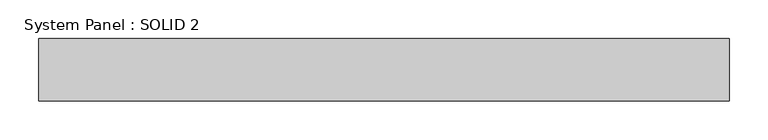
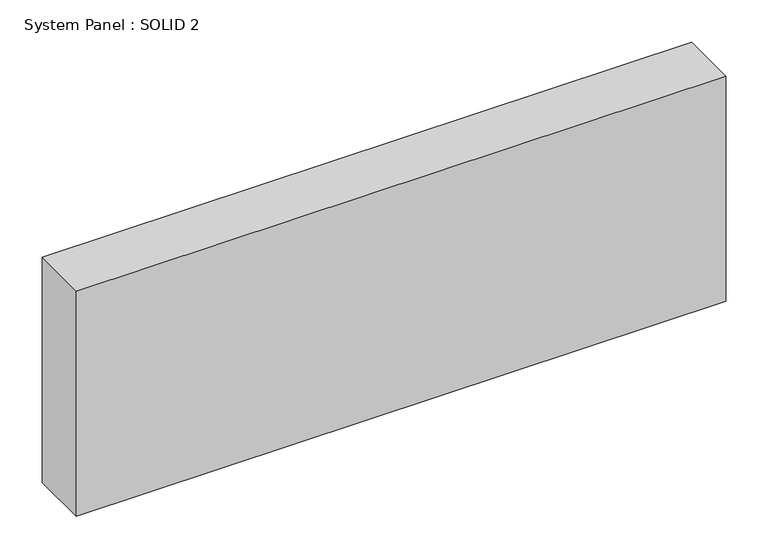
"""IFC4 building model written with IfcOpenShell, lengths in millimetres: plate geometry, System Panel : SOLID 2."""

import ifcopenshell
import ifcopenshell.guid

model = None  # the IFC model being written
_history = None  # IfcOwnerHistory: only IFC2X3 demands one
_inside = {}  # id of a spatial element -> (the spatial element, [elements in it])
_under = {}  # id of a project, library or spatial element -> (it, [spatial elements below it])
_declared = {}  # id of a project -> (the project, [libraries it declares])
_typed = {}  # id of a type object -> (the type object, [elements of that type])
_made_of = {}  # id of a material, layer set ... -> (it, [elements and type objects made of it])


def new_model(schema):
    """Start an empty IFC model of exactly this schema.

    Asked for "IFC4X3", IfcOpenShell would pick the latest addendum, in which some entities
    have other attributes; the version numbers below select the first issue.
    IFC2X3 requires an IfcOwnerHistory on every rooted entity: one is made here for all.
    """
    global model, _history
    if schema == "IFC4X3":
        model = ifcopenshell.file(schema_version=(4, 3, 0, 0))
    else:
        model = ifcopenshell.file(schema=schema)
    _inside.clear()
    _under.clear()
    _declared.clear()
    _typed.clear()
    _made_of.clear()
    _history = None
    if model.schema == "IFC2X3":
        org = make("IfcOrganization", Name="unknown")
        user = make(
            "IfcPersonAndOrganization",
            ThePerson=make("IfcPerson", FamilyName="unknown"),
            TheOrganization=org,
        )
        app = make(
            "IfcApplication",
            ApplicationDeveloper=org,
            Version="unknown",
            ApplicationFullName="unknown",
            ApplicationIdentifier="unknown",
        )
        _history = make(
            "IfcOwnerHistory",
            OwningUser=user,
            OwningApplication=app,
            ChangeAction="ADDED",
            CreationDate=0,
        )
    return model


def make(cls, **values):
    """One entity of the class cls with the attributes given. An attribute that is None is left unset."""
    return model.create_entity(
        cls, **{name: value for name, value in values.items() if value is not None}
    )


def rooted(cls, **values):
    """An entity with a GlobalId (a new one), such as an element, a storey or a relation."""
    return make(cls, GlobalId=ifcopenshell.guid.new(), OwnerHistory=_history, **values)


def si_unit(unit_type, name, prefix=None):
    """IfcSIUnit, for example si_unit("LENGTHUNIT", "METRE", prefix="MILLI")."""
    return make("IfcSIUnit", UnitType=unit_type, Prefix=prefix, Name=name)


def assignment(units):
    """IfcUnitAssignment: the units of a project."""
    return None if units is None else make("IfcUnitAssignment", Units=units)


def point(xyz):
    """IfcCartesianPoint."""
    return None if xyz is None else make("IfcCartesianPoint", Coordinates=xyz)


def direction(xyz):
    """IfcDirection."""
    return None if xyz is None else make("IfcDirection", DirectionRatios=xyz)


def frame(location, z_axis=None, x_axis=None):
    """IfcAxis2Placement3D, a coordinate frame: its origin and axes. An axis left out is left unset."""
    return make(
        "IfcAxis2Placement3D",
        Location=point(location),
        Axis=direction(z_axis),
        RefDirection=direction(x_axis),
    )


def origin():
    """The frame at (0, 0, 0) with its axes left unset."""
    return frame((0.0, 0.0, 0.0))


def origin_with_axes():
    """The frame at (0, 0, 0) with the z axis (0, 0, 1) and the x axis (1, 0, 0) written out."""
    return frame((0.0, 0.0, 0.0), z_axis=(0.0, 0.0, 1.0), x_axis=(1.0, 0.0, 0.0))


def place(relative_to, where):
    """IfcLocalPlacement: puts the frame where relative to a parent placement (None: the world)."""
    return make(
        "IfcLocalPlacement", PlacementRelTo=relative_to, RelativePlacement=where
    )


def context(
    kind, dimensions, precision=None, world=None, true_north=None, identifier=None
):
    """IfcGeometricRepresentationContext, for example the 3D "Model" context."""
    return make(
        "IfcGeometricRepresentationContext",
        ContextIdentifier=identifier,
        ContextType=kind,
        CoordinateSpaceDimension=dimensions,
        Precision=precision,
        WorldCoordinateSystem=world,
        TrueNorth=true_north,
    )


def project(units=None, contexts=None):
    """IfcProject with its units and contexts."""
    return rooted(
        "IfcProject",
        Name="project",
        RepresentationContexts=contexts,
        UnitsInContext=assignment(units),
    )


def spatial(cls, under=None, at=None, **own):
    """A site, building, storey or space (cls), placed at a placement, below another one or the project."""
    s = rooted(cls, ObjectPlacement=at, **own)
    if under is not None:
        _under.setdefault(under.id(), (under, []))[1].append(s)
    return s


def polyline(points):
    """IfcPolyline through the points."""
    return make("IfcPolyline", Points=[point(p) for p in points])


def outline(outer, holes=None, kind="AREA"):
    """IfcArbitraryClosedProfileDef: a profile drawn as a closed curve; with holes, ...WithVoids."""
    if holes is None:
        return make("IfcArbitraryClosedProfileDef", ProfileType=kind, OuterCurve=outer)
    return make(
        "IfcArbitraryProfileDefWithVoids",
        ProfileType=kind,
        OuterCurve=outer,
        InnerCurves=holes,
    )


def extrude(swept, where, along, depth):
    """IfcExtrudedAreaSolid: the profile swept, set in the frame where, extruded along a direction by depth."""
    return make(
        "IfcExtrudedAreaSolid",
        SweptArea=swept,
        Position=where,
        ExtrudedDirection=direction(along),
        Depth=depth,
    )


def shape(context_of_items, identifier, shape_type, items):
    """IfcShapeRepresentation: the items that make up one representation, for example the "Body"."""
    return make(
        "IfcShapeRepresentation",
        ContextOfItems=context_of_items,
        RepresentationIdentifier=identifier,
        RepresentationType=shape_type,
        Items=items,
    )


def source(mapping_origin, context_of_items, identifier, shape_type, items):
    """IfcRepresentationMap: a shape defined once, which mapped items show again and again."""
    return make(
        "IfcRepresentationMap",
        MappingOrigin=mapping_origin,
        MappedRepresentation=shape(context_of_items, identifier, shape_type, items),
    )


def transform(
    local_origin,
    x_axis=None,
    y_axis=None,
    z_axis=None,
    scale=None,
    scale2=None,
    scale3=None,
    uniform=True,
):
    """IfcCartesianTransformationOperator3D, or its non-uniform kind. x_axis, y_axis, z_axis: its Axis1, 2, 3."""
    if uniform:
        return make(
            "IfcCartesianTransformationOperator3D",
            Axis1=direction(x_axis),
            Axis2=direction(y_axis),
            LocalOrigin=point(local_origin),
            Scale=scale,
            Axis3=direction(z_axis),
        )
    return make(
        "IfcCartesianTransformationOperator3DnonUniform",
        Axis1=direction(x_axis),
        Axis2=direction(y_axis),
        LocalOrigin=point(local_origin),
        Scale=scale,
        Axis3=direction(z_axis),
        Scale2=scale2,
        Scale3=scale3,
    )


def mapped(mapping_source, mapping_target):
    """IfcMappedItem: shows the shape of a source again, moved by a transform."""
    return make(
        "IfcMappedItem", MappingSource=mapping_source, MappingTarget=mapping_target
    )


def made_of(thing, what):
    """Note that an element or type object is made of a material, layer set ...; save() writes the relation."""
    if what is not None:
        _made_of.setdefault(what.id(), (what, []))[1].append(thing)
    return thing


def element(
    cls,
    number,
    at=None,
    inside=None,
    cuts=None,
    type_object=None,
    material=None,
    context=None,
    identifier="Body",
    shape_type=None,
    held_by="IfcProductDefinitionShape",
    body=None,
    shapes=None,
    **own,
):
    """One element of the class cls, such as IfcWall. Its Tag is "e" and its number.

    at: its placement. inside: the storey or other place that contains it. cuts: it is an
    opening in that element (IfcRelVoidsElement). A single representation is given by context,
    identifier, shape_type and body (its items); several are given by shapes. held_by: the class
    of the entity that holds the representations. save() writes the other relations.
    """
    e = rooted(cls, Tag="e%d" % number, ObjectPlacement=at, **own)
    if body is not None:
        shapes = [shape(context, identifier, shape_type, body)]
    if shapes is not None:
        e.Representation = make(held_by, Representations=shapes)
    if inside is not None:
        _inside.setdefault(inside.id(), (inside, []))[1].append(e)
    if cuts is not None:
        rooted(
            "IfcRelVoidsElement", RelatingBuildingElement=cuts, RelatedOpeningElement=e
        )
    if type_object is not None:
        _typed.setdefault(type_object.id(), (type_object, []))[1].append(e)
    return made_of(e, material)


def aggregate(whole, parts):
    """IfcRelAggregates: a whole, such as a stair, and the parts it consists of."""
    return rooted("IfcRelAggregates", RelatingObject=whole, RelatedObjects=parts)


def save(model, path):
    """Write the relations noted so far, then the file.

    IfcRelAggregates (storeys below a building ...), IfcRelContainedInSpatialStructure (elements
    in a storey), IfcRelDefinesByType, IfcRelAssociatesMaterial and IfcRelDeclares: one each for
    every whole, place, type object, material and project.
    """
    for whole, parts in _under.values():
        aggregate(whole, parts)
    for where, things in _inside.values():
        rooted(
            "IfcRelContainedInSpatialStructure",
            RelatedElements=things,
            RelatingStructure=where,
        )
    for kind, things in _typed.values():
        rooted("IfcRelDefinesByType", RelatedObjects=things, RelatingType=kind)
    for what, things in _made_of.values():
        rooted("IfcRelAssociatesMaterial", RelatedObjects=things, RelatingMaterial=what)
    for by, libraries in _declared.values():
        rooted("IfcRelDeclares", RelatingContext=by, RelatedDefinitions=libraries)
    model.write(path)


def system_panel_solid_2_7ea526c5(model_context):
    return source(origin(), model_context, "Body", "SweptSolid", [
        extrude(outline(polyline([(442.5, 80.0), (-442.5, 80.0), (-442.5, 160.0), (442.5, 160.0), (442.5, 80.0)])), origin_with_axes(), (0.0, 0.0, 1.0), 324.3333333),
    ])


if __name__ == "__main__":
    model = new_model("IFC4")
    model_context = context("Model", 3, world=origin())
    ifc_project = project(units=[si_unit("LENGTHUNIT", "METRE", prefix="MILLI")], contexts=[model_context])
    site = spatial("IfcSite", under=ifc_project)
    building = spatial("IfcBuilding", under=site)
    placement = place(None, origin())
    system_panel_solid_2_shape = system_panel_solid_2_7ea526c5(model_context)
    element("IfcPlate", 1, ObjectType="System Panel : SOLID 2", at=placement, inside=building, context=model_context, shape_type="MappedRepresentation", body=[
        mapped(system_panel_solid_2_shape, transform((0.0, 0.0, 0.0), x_axis=(1.0, 0.0, 0.0), y_axis=(0.0, 1.0, 0.0), z_axis=(0.0, 0.0, 1.0))),
    ])
    save(model, "model.ifc")
